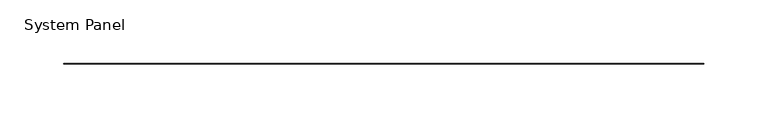
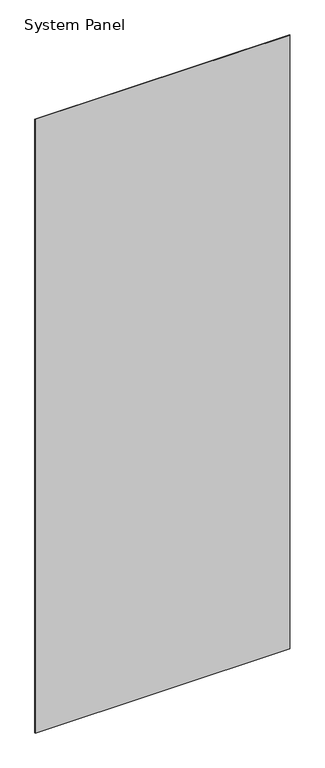
"""IFC4 building model written with IfcOpenShell, lengths in millimetres: plate geometry, System Panel."""

from ifc_helpers import new_model, si_unit, origin, origin_with_axes, place, context, project, spatial, polyline, outline, extrude, source, transform, mapped, element, save


def system_panel_aa937ccf(model_context):
    return source(origin(), model_context, "Body", "SweptSolid", [
        extrude(outline(polyline([(252.2855, -0.2976563), (-252.2855, -0.2976563), (-252.2855, 0.2976563), (252.2855, 0.2976563), (252.2855, -0.2976563)])), origin_with_axes(), (0.0, 0.0, 1.0), 1285.875),
    ])


if __name__ == "__main__":
    model = new_model("IFC4")
    model_context = context("Model", 3, world=origin())
    ifc_project = project(units=[si_unit("LENGTHUNIT", "METRE", prefix="MILLI")], contexts=[model_context])
    site = spatial("IfcSite", under=ifc_project)
    building = spatial("IfcBuilding", under=site)
    placement = place(None, origin())
    system_panel_shape = system_panel_aa937ccf(model_context)
    element("IfcPlate", 1, ObjectType="System Panel", at=placement, inside=building, context=model_context, shape_type="MappedRepresentation", body=[
        mapped(system_panel_shape, transform((0.0, 0.0, 0.0), x_axis=(1.0, 0.0, 0.0), y_axis=(0.0, 1.0, 0.0), z_axis=(0.0, 0.0, 1.0))),
    ])
    save(model, "model.ifc")
